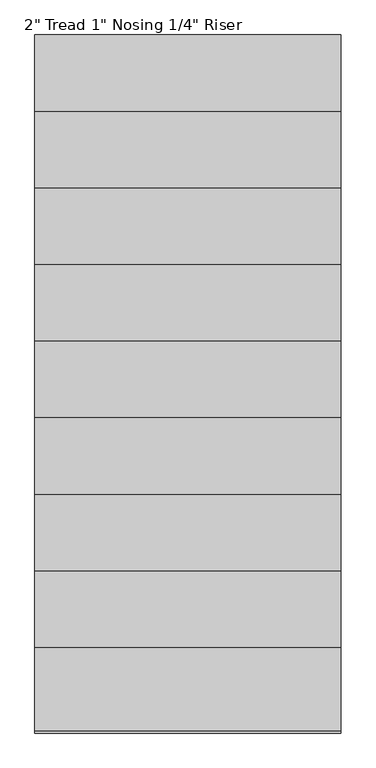
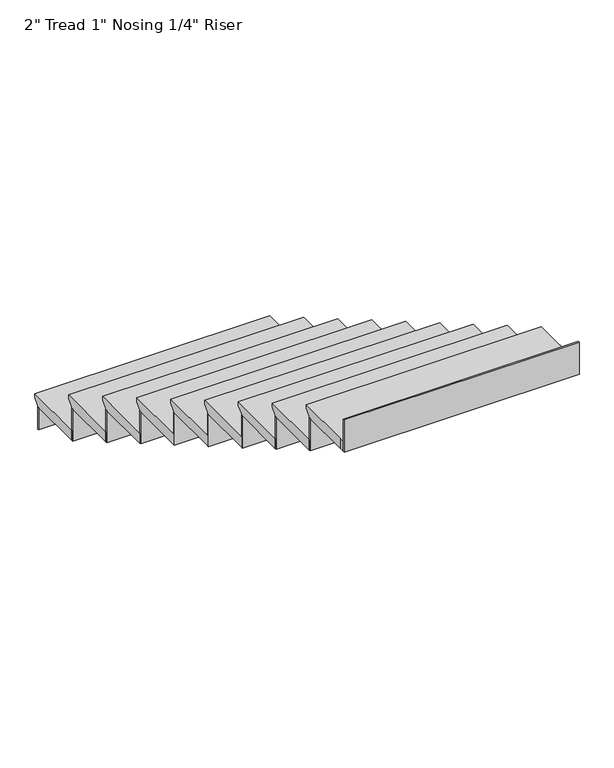
"""IFC4 building model written with IfcOpenShell, lengths in millimetres: stair flight geometry."""

from ifc_helpers import new_model, si_unit, origin, place, context, project, spatial, faceted_brep, source, transform, mapped, element, save


def stair_flight_74dce309(model_context):
    return source(origin(), model_context, "Body", "Brep", [
        faceted_brep([(51147.2760627, -11527.1917051, 143.51), (51147.2760627, -11527.1917051, 162.56), (52264.8760627, -11527.1917051, 162.56), (52264.8760627, -11527.1917051, 143.51), (51147.2760627, -11552.5917051, 118.11), (52264.8760627, -11552.5917051, 118.11), (51147.2760627, -11831.9917051, 162.56), (52264.8760627, -11831.9917051, 162.56), (52264.8760627, -11552.5917051, 111.76), (52264.8760627, -11831.9917051, 111.76), (51147.2760627, -11831.9917051, 111.76), (51147.2760627, -11552.5917051, 111.76)], [[[0, 1, 2, 3]], [[4, 0, 3, 5]], [[2, 1, 6, 7]], [[8, 9, 10, 11]], [[2, 7, 9, 8, 5, 3]], [[8, 11, 4, 5]], [[6, 1, 0, 4, 11, 10]], [[7, 6, 10, 9]]]),
        faceted_brep([(51147.2760627, -11552.5917051, 111.76), (51147.2760627, -11552.5917051, 0.0), (51147.2760627, -11558.9417051, 0.0), (51147.2760627, -11558.9417051, 111.76), (52264.8760627, -11552.5917051, 111.76), (52264.8760627, -11558.9417051, 111.76), (52264.8760627, -11558.9417051, 0.0), (52264.8760627, -11552.5917051, 0.0)], [[[0, 1, 2, 3]], [[4, 5, 6, 7]], [[1, 0, 4, 7]], [[2, 1, 7, 6]], [[3, 2, 6, 5]], [[0, 3, 5, 4]]]),
        faceted_brep([(51147.2760627, -11831.9917051, 274.32), (51147.2760627, -11831.9917051, 111.76), (51147.2760627, -11838.3417051, 111.76), (51147.2760627, -11838.3417051, 274.32), (52264.8760627, -11831.9917051, 274.32), (52264.8760627, -11838.3417051, 274.32), (52264.8760627, -11838.3417051, 111.76), (52264.8760627, -11831.9917051, 111.76)], [[[0, 1, 2, 3]], [[4, 5, 6, 7]], [[1, 0, 4, 7]], [[2, 1, 7, 6]], [[3, 2, 6, 5]], [[0, 3, 5, 4]]]),
        faceted_brep([(52264.8760627, -11806.5917051, 325.12), (51147.2760627, -11806.5917051, 325.12), (51147.2760627, -12111.3917051, 325.12), (52264.8760627, -12111.3917051, 325.12), (52264.8760627, -11831.9917051, 274.32), (52264.8760627, -12111.3917051, 274.32), (51147.2760627, -12111.3917051, 274.32), (51147.2760627, -11831.9917051, 274.32), (52264.8760627, -11831.9917051, 280.67), (52264.8760627, -11806.5917051, 306.07), (51147.2760627, -11831.9917051, 280.67), (51147.2760627, -11806.5917051, 306.07)], [[[0, 1, 2, 3]], [[4, 5, 6, 7]], [[0, 3, 5, 4, 8, 9]], [[4, 7, 10, 8]], [[2, 1, 11, 10, 7, 6]], [[3, 2, 6, 5]], [[11, 1, 0, 9]], [[10, 11, 9, 8]]]),
        faceted_brep([(51147.2760627, -12111.3917051, 436.88), (51147.2760627, -12111.3917051, 274.32), (51147.2760627, -12117.7417051, 274.32), (51147.2760627, -12117.7417051, 436.88), (52264.8760627, -12111.3917051, 436.88), (52264.8760627, -12117.7417051, 436.88), (52264.8760627, -12117.7417051, 274.32), (52264.8760627, -12111.3917051, 274.32)], [[[0, 1, 2, 3]], [[4, 5, 6, 7]], [[1, 0, 4, 7]], [[2, 1, 7, 6]], [[3, 2, 6, 5]], [[0, 3, 5, 4]]]),
        faceted_brep([(52264.8760627, -12085.9917051, 487.68), (51147.2760627, -12085.9917051, 487.68), (51147.2760627, -12390.7917051, 487.68), (52264.8760627, -12390.7917051, 487.68), (52264.8760627, -12111.3917051, 436.88), (52264.8760627, -12390.7917051, 436.88), (51147.2760627, -12390.7917051, 436.88), (51147.2760627, -12111.3917051, 436.88), (52264.8760627, -12111.3917051, 443.23), (52264.8760627, -12085.9917051, 468.63), (51147.2760627, -12111.3917051, 443.23), (51147.2760627, -12085.9917051, 468.63)], [[[0, 1, 2, 3]], [[4, 5, 6, 7]], [[0, 3, 5, 4, 8, 9]], [[4, 7, 10, 8]], [[2, 1, 11, 10, 7, 6]], [[3, 2, 6, 5]], [[11, 1, 0, 9]], [[10, 11, 9, 8]]]),
        faceted_brep([(51147.2760627, -12390.7917051, 599.44), (51147.2760627, -12390.7917051, 436.88), (51147.2760627, -12397.1417051, 436.88), (51147.2760627, -12397.1417051, 599.44), (52264.8760627, -12390.7917051, 599.44), (52264.8760627, -12397.1417051, 599.44), (52264.8760627, -12397.1417051, 436.88), (52264.8760627, -12390.7917051, 436.88)], [[[0, 1, 2, 3]], [[4, 5, 6, 7]], [[1, 0, 4, 7]], [[2, 1, 7, 6]], [[3, 2, 6, 5]], [[0, 3, 5, 4]]]),
        faceted_brep([(52264.8760627, -12365.3917051, 650.24), (51147.2760627, -12365.3917051, 650.24), (51147.2760627, -12670.1917051, 650.24), (52264.8760627, -12670.1917051, 650.24), (52264.8760627, -12390.7917051, 599.44), (52264.8760627, -12670.1917051, 599.44), (51147.2760627, -12670.1917051, 599.44), (51147.2760627, -12390.7917051, 599.44), (52264.8760627, -12390.7917051, 605.79), (52264.8760627, -12365.3917051, 631.19), (51147.2760627, -12390.7917051, 605.79), (51147.2760627, -12365.3917051, 631.19)], [[[0, 1, 2, 3]], [[4, 5, 6, 7]], [[0, 3, 5, 4, 8, 9]], [[4, 7, 10, 8]], [[2, 1, 11, 10, 7, 6]], [[3, 2, 6, 5]], [[11, 1, 0, 9]], [[10, 11, 9, 8]]]),
        faceted_brep([(51147.2760627, -12670.1917051, 762.0), (51147.2760627, -12670.1917051, 599.44), (51147.2760627, -12676.5417051, 599.44), (51147.2760627, -12676.5417051, 762.0), (52264.8760627, -12670.1917051, 762.0), (52264.8760627, -12676.5417051, 762.0), (52264.8760627, -12676.5417051, 599.44), (52264.8760627, -12670.1917051, 599.44)], [[[0, 1, 2, 3]], [[4, 5, 6, 7]], [[1, 0, 4, 7]], [[2, 1, 7, 6]], [[3, 2, 6, 5]], [[0, 3, 5, 4]]]),
        faceted_brep([(52264.8760627, -12644.7917051, 812.8), (51147.2760627, -12644.7917051, 812.8), (51147.2760627, -12949.5917051, 812.8), (52264.8760627, -12949.5917051, 812.8), (52264.8760627, -12670.1917051, 762.0), (52264.8760627, -12949.5917051, 762.0), (51147.2760627, -12949.5917051, 762.0), (51147.2760627, -12670.1917051, 762.0), (52264.8760627, -12670.1917051, 768.35), (52264.8760627, -12644.7917051, 793.75), (51147.2760627, -12670.1917051, 768.35), (51147.2760627, -12644.7917051, 793.75)], [[[0, 1, 2, 3]], [[4, 5, 6, 7]], [[0, 3, 5, 4, 8, 9]], [[4, 7, 10, 8]], [[2, 1, 11, 10, 7, 6]], [[3, 2, 6, 5]], [[11, 1, 0, 9]], [[10, 11, 9, 8]]]),
        faceted_brep([(51147.2760627, -12949.5917051, 924.56), (51147.2760627, -12949.5917051, 762.0), (51147.2760627, -12955.9417051, 762.0), (51147.2760627, -12955.9417051, 924.56), (52264.8760627, -12949.5917051, 924.56), (52264.8760627, -12955.9417051, 924.56), (52264.8760627, -12955.9417051, 762.0), (52264.8760627, -12949.5917051, 762.0)], [[[0, 1, 2, 3]], [[4, 5, 6, 7]], [[1, 0, 4, 7]], [[2, 1, 7, 6]], [[3, 2, 6, 5]], [[0, 3, 5, 4]]]),
        faceted_brep([(52264.8760627, -12924.1917051, 975.36), (51147.2760627, -12924.1917051, 975.36), (51147.2760627, -13228.9917051, 975.36), (52264.8760627, -13228.9917051, 975.36), (52264.8760627, -12949.5917051, 924.56), (52264.8760627, -13228.9917051, 924.56), (51147.2760627, -13228.9917051, 924.56), (51147.2760627, -12949.5917051, 924.56), (52264.8760627, -12949.5917051, 930.91), (52264.8760627, -12924.1917051, 956.31), (51147.2760627, -12949.5917051, 930.91), (51147.2760627, -12924.1917051, 956.31)], [[[0, 1, 2, 3]], [[4, 5, 6, 7]], [[0, 3, 5, 4, 8, 9]], [[4, 7, 10, 8]], [[2, 1, 11, 10, 7, 6]], [[3, 2, 6, 5]], [[11, 1, 0, 9]], [[10, 11, 9, 8]]]),
        faceted_brep([(51147.2760627, -13228.9917051, 1087.12), (51147.2760627, -13228.9917051, 924.56), (51147.2760627, -13235.3417051, 924.56), (51147.2760627, -13235.3417051, 1087.12), (52264.8760627, -13228.9917051, 1087.12), (52264.8760627, -13235.3417051, 1087.12), (52264.8760627, -13235.3417051, 924.56), (52264.8760627, -13228.9917051, 924.56)], [[[0, 1, 2, 3]], [[4, 5, 6, 7]], [[1, 0, 4, 7]], [[2, 1, 7, 6]], [[3, 2, 6, 5]], [[0, 3, 5, 4]]]),
        faceted_brep([(52264.8760627, -13203.5917051, 1137.92), (51147.2760627, -13203.5917051, 1137.92), (51147.2760627, -13508.3917051, 1137.92), (52264.8760627, -13508.3917051, 1137.92), (52264.8760627, -13228.9917051, 1087.12), (52264.8760627, -13508.3917051, 1087.12), (51147.2760627, -13508.3917051, 1087.12), (51147.2760627, -13228.9917051, 1087.12), (52264.8760627, -13228.9917051, 1093.47), (52264.8760627, -13203.5917051, 1118.87), (51147.2760627, -13228.9917051, 1093.47), (51147.2760627, -13203.5917051, 1118.87)], [[[0, 1, 2, 3]], [[4, 5, 6, 7]], [[0, 3, 5, 4, 8, 9]], [[4, 7, 10, 8]], [[2, 1, 11, 10, 7, 6]], [[3, 2, 6, 5]], [[11, 1, 0, 9]], [[10, 11, 9, 8]]]),
        faceted_brep([(51147.2760627, -13508.3917051, 1249.68), (51147.2760627, -13508.3917051, 1087.12), (51147.2760627, -13514.7417051, 1087.12), (51147.2760627, -13514.7417051, 1249.68), (52264.8760627, -13508.3917051, 1249.68), (52264.8760627, -13514.7417051, 1249.68), (52264.8760627, -13514.7417051, 1087.12), (52264.8760627, -13508.3917051, 1087.12)], [[[0, 1, 2, 3]], [[4, 5, 6, 7]], [[1, 0, 4, 7]], [[2, 1, 7, 6]], [[3, 2, 6, 5]], [[0, 3, 5, 4]]]),
        faceted_brep([(52264.8760627, -13482.9917051, 1300.48), (51147.2760627, -13482.9917051, 1300.48), (51147.2760627, -13787.7917051, 1300.48), (52264.8760627, -13787.7917051, 1300.48), (52264.8760627, -13508.3917051, 1249.68), (52264.8760627, -13787.7917051, 1249.68), (51147.2760627, -13787.7917051, 1249.68), (51147.2760627, -13508.3917051, 1249.68), (52264.8760627, -13508.3917051, 1256.03), (52264.8760627, -13482.9917051, 1281.43), (51147.2760627, -13508.3917051, 1256.03), (51147.2760627, -13482.9917051, 1281.43)], [[[0, 1, 2, 3]], [[4, 5, 6, 7]], [[0, 3, 5, 4, 8, 9]], [[4, 7, 10, 8]], [[2, 1, 11, 10, 7, 6]], [[3, 2, 6, 5]], [[11, 1, 0, 9]], [[10, 11, 9, 8]]]),
        faceted_brep([(51147.2760627, -14067.1917051, 1574.8), (51147.2760627, -14067.1917051, 1412.24), (51147.2760627, -14073.5417051, 1412.24), (51147.2760627, -14073.5417051, 1574.8), (52264.8760627, -14067.1917051, 1574.8), (52264.8760627, -14073.5417051, 1574.8), (52264.8760627, -14073.5417051, 1412.24), (52264.8760627, -14067.1917051, 1412.24)], [[[0, 1, 2, 3]], [[4, 5, 6, 7]], [[1, 0, 4, 7]], [[2, 1, 7, 6]], [[3, 2, 6, 5]], [[0, 3, 5, 4]]]),
        faceted_brep([(51147.2760627, -13787.7917051, 1412.24), (51147.2760627, -13787.7917051, 1249.68), (51147.2760627, -13794.1417051, 1249.68), (51147.2760627, -13794.1417051, 1412.24), (52264.8760627, -13787.7917051, 1412.24), (52264.8760627, -13794.1417051, 1412.24), (52264.8760627, -13794.1417051, 1249.68), (52264.8760627, -13787.7917051, 1249.68)], [[[0, 1, 2, 3]], [[4, 5, 6, 7]], [[1, 0, 4, 7]], [[2, 1, 7, 6]], [[3, 2, 6, 5]], [[0, 3, 5, 4]]]),
        faceted_brep([(52264.8760627, -13762.3917051, 1463.04), (51147.2760627, -13762.3917051, 1463.04), (51147.2760627, -14041.7917051, 1463.04), (51147.2760627, -14067.1917051, 1463.04), (52264.8760627, -14067.1917051, 1463.04), (52264.8760627, -13787.7917051, 1412.24), (52264.8760627, -14067.1917051, 1412.24), (51147.2760627, -14067.1917051, 1412.24), (51147.2760627, -14041.7917051, 1412.24), (51147.2760627, -13787.7917051, 1412.24), (52264.8760627, -13787.7917051, 1418.59), (52264.8760627, -13762.3917051, 1443.99), (51147.2760627, -13787.7917051, 1418.59), (51147.2760627, -13762.3917051, 1443.99)], [[[0, 1, 2, 3, 4]], [[5, 6, 7, 8, 9]], [[0, 4, 6, 5, 10, 11]], [[5, 9, 12, 10]], [[2, 1, 13, 12, 9, 8]], [[3, 2, 8, 7]], [[4, 3, 7, 6]], [[13, 1, 0, 11]], [[12, 13, 11, 10]]]),
    ])


if __name__ == "__main__":
    model = new_model("IFC4")
    model_context = context("Model", 3, world=origin())
    ifc_project = project(units=[si_unit("LENGTHUNIT", "METRE", prefix="MILLI")], contexts=[model_context])
    site = spatial("IfcSite", under=ifc_project)
    building = spatial("IfcBuilding", under=site)
    placement = place(None, origin())
    stair_flight_shape = stair_flight_74dce309(model_context)
    element("IfcStairFlight", 1, ObjectType="2\" Tread 1\" Nosing 1/4\" Riser", at=placement, inside=building, context=model_context, shape_type="MappedRepresentation", body=[
        mapped(stair_flight_shape, transform((0.0, 0.0, 0.0), x_axis=(1.0, 0.0, 0.0), y_axis=(0.0, 1.0, 0.0), z_axis=(0.0, 0.0, 1.0))),
    ])
    save(model, "model.ifc")
